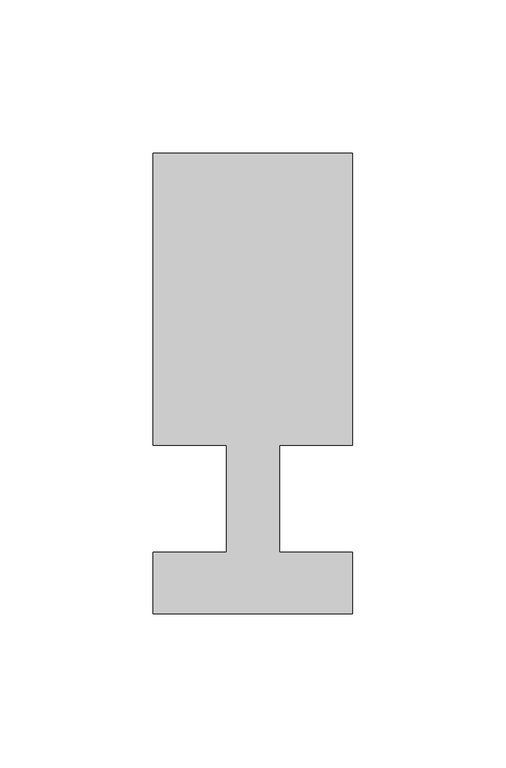
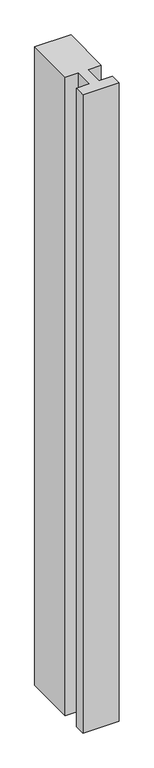
"""IFC4 building model written with IfcOpenShell, lengths in millimetres: member geometry."""

from ifc_helpers import new_model, si_unit, frame, origin, place, context, project, spatial, polyline, outline, extrude, source, transform, mapped, element, save


def member_4ce095bc(model_context):
    return source(origin(), model_context, "Body", "SweptSolid", [
        extrude(outline(polyline([(-32.5, -37.0), (-32.5, -17.0), (-8.6875, -17.0), (-8.6875, 18.0), (-32.5, 18.0), (-32.5, 113.0), (32.5, 113.0), (32.5, 18.0), (8.6875, 18.0), (8.6875, -17.0), (32.5, -17.0), (32.5, -37.0), (-32.5, -37.0)])), frame((0.0, 0.0, -1215.0), z_axis=(0.0, 0.0, 1.0), x_axis=(1.0, 0.0, 0.0)), (0.0, 0.0, 1.0), 1215.0),
    ])


if __name__ == "__main__":
    model = new_model("IFC4")
    model_context = context("Model", 3, world=origin())
    ifc_project = project(units=[si_unit("LENGTHUNIT", "METRE", prefix="MILLI")], contexts=[model_context])
    site = spatial("IfcSite", under=ifc_project)
    building = spatial("IfcBuilding", under=site)
    placement = place(None, origin())
    member_shape = member_4ce095bc(model_context)
    element("IfcMember", 1, at=placement, inside=building, context=model_context, shape_type="MappedRepresentation", body=[
        mapped(member_shape, transform((0.0, 0.0, 0.0), x_axis=(1.0, 0.0, 0.0), y_axis=(0.0, 1.0, 0.0), z_axis=(0.0, 0.0, 1.0))),
    ])
    save(model, "model.ifc")
